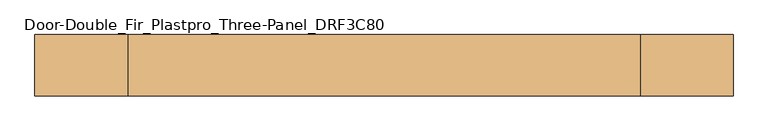
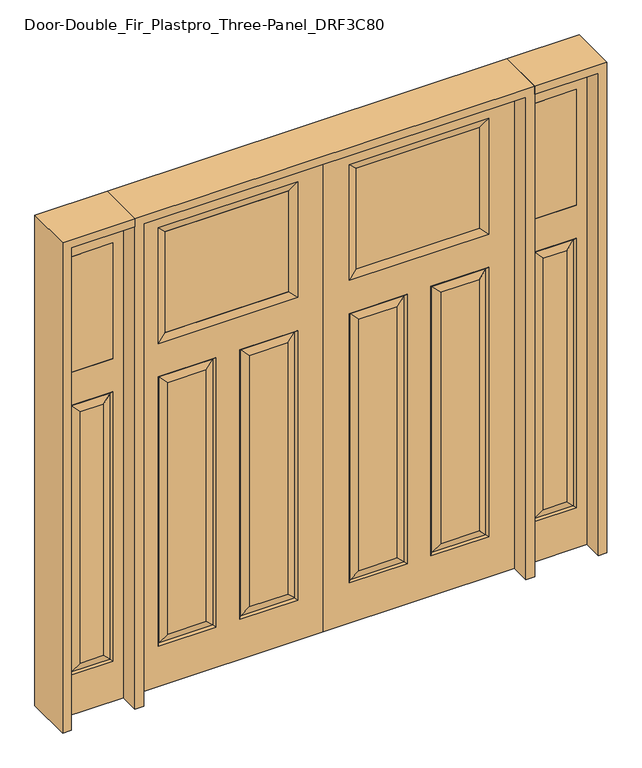
"""IFC4 building model written with IfcOpenShell, lengths in millimetres: door geometry, Door-Double_Fir_Plastpro_Three-Panel_DRF3C80."""

from ifc_helpers import new_model, si_unit, frame, origin, place, context, project, spatial, polyline, outline, extrude, faceted_brep, source, transform, mapped, element, save


def door_double_fir_plastpro_three_panel_drf3c80_b613cd89(model_context):
    return source(origin(), model_context, "Body", "SolidModel", [
        faceted_brep([(914.4, -20.6375, 2438.4), (914.4, -20.6375, 0.0), (914.4, 20.6375, 0.0), (914.4, 20.6375, 2438.4), (0.0, 20.6375, 0.0), (0.0, 20.6375, 2438.4), (123.698, 20.6375, 203.073), (400.2762187, 20.6375, 203.073), (400.2762187, 20.6375, 1565.3027812), (123.698, 20.6375, 1565.3027812), (790.7734375, 20.6375, 1733.3515625), (790.7734375, 20.6375, 2317.9484375), (123.6265625, 20.6375, 2317.9484375), (123.6265625, 20.6375, 1733.3515625), (790.702, 20.6375, 1565.3027812), (514.1237813, 20.6375, 1565.3027812), (514.1237813, 20.6375, 203.073), (790.702, 20.6375, 203.073), (744.6645, 20.6375, 249.1105), (560.1612813, 20.6375, 249.1105), (560.1612813, 20.6375, 1519.2652812), (744.6645, 20.6375, 1519.2652812), (169.7355, 20.6375, 1519.2652812), (354.2387187, 20.6375, 1519.2652812), (354.2387187, 20.6375, 249.1105), (169.7355, 20.6375, 249.1105), (781.7217439, 11.6572439, 1556.3225251), (781.7217439, 11.6572439, 212.0532561), (523.1040374, 11.6572439, 212.0532561), (391.2959626, -11.6572439, 212.0532561), (391.2959626, -11.6572439, 1556.3225251), (354.2387187, -20.6375, 1519.2652812), (354.2387188, -20.6375, 249.1105), (560.1612812, -20.6375, 249.1105), (560.1612812, -20.6375, 1519.2652812), (523.1040374, -11.6572439, 1556.3225251), (523.1040374, -11.6572439, 212.0532561), (781.7217439, -11.6572439, 212.0532561), (514.1237813, -20.6375, 203.073), (790.702, -20.6375, 203.073), (790.7734375, -20.6375, 1733.3515625), (790.7734375, -20.6375, 2317.9484375), (753.7161936, -11.6572439, 2280.8911936), (753.7161936, -11.6572439, 1770.3601562), (160.6838064, -11.6572439, 1770.3601562), (160.6838064, -11.6572439, 2280.9398438), (123.6265625, -20.6375, 2317.9484375), (123.6265625, -20.6375, 1733.3515625), (132.6782561, -11.6572439, 1556.3225251), (400.2762187, -20.6375, 1565.3027812), (123.698, -20.6375, 1565.3027812), (160.6838064, 11.6690335, 2280.9398438), (753.7161936, 11.6690335, 2280.9398438), (0.0, -20.6375, 0.0), (0.0, -20.6375, 2438.4), (514.1237813, -20.6375, 1565.3027812), (790.702, -20.6375, 1565.3027812), (400.2762187, -20.6375, 203.073), (123.698, -20.6375, 203.073), (169.7355, -20.6375, 249.1105), (169.7355, -20.6375, 1519.2652813), (744.6645, -20.6375, 1519.2652813), (744.6645, -20.6375, 249.1105), (132.6782561, 11.6572439, 212.0532561), (391.2959626, 11.6572439, 212.0532561), (132.6782561, -11.6572439, 212.0532561), (781.7217439, -11.6572439, 1556.3225251), (160.6838064, 11.6572439, 1770.3601562), (132.6782561, 11.6572439, 1556.3225251), (391.2959626, 11.6572439, 1556.3225251), (523.1040374, 11.6572439, 1556.3225251), (753.7161936, 11.6572439, 1770.3601562)], [[[0, 1, 2, 3]], [[3, 2, 4, 5], [6, 7, 8, 9], [10, 11, 12, 13], [14, 15, 16, 17]], [[18, 19, 20, 21]], [[22, 23, 24, 25]], [[26, 14, 17, 27]], [[27, 18, 21, 26]], [[27, 28, 19, 18]], [[29, 30, 31, 32]], [[33, 34, 35, 36]], [[37, 36, 38, 39]], [[40, 41, 42, 43]], [[44, 45, 46, 47]], [[48, 30, 49, 50]], [[51, 52, 42, 45]], [[47, 40, 43, 44]], [[4, 2, 1, 53]], [[5, 4, 53, 54]], [[54, 53, 1, 0], [39, 38, 55, 56], [47, 46, 41, 40], [50, 49, 57, 58]], [[59, 32, 31, 60]], [[61, 34, 33, 62]], [[5, 54, 0, 3]], [[63, 64, 7, 6]], [[65, 29, 32, 59]], [[57, 49, 30, 29]], [[37, 39, 56, 66]], [[13, 12, 51, 67]], [[6, 9, 68, 63]], [[64, 69, 8, 7]], [[68, 22, 25, 63]], [[25, 24, 64, 63]], [[24, 23, 69, 64]], [[17, 16, 28, 27]], [[16, 15, 70, 28]], [[28, 70, 20, 19]], [[59, 60, 48, 65]], [[48, 50, 58, 65]], [[58, 57, 29, 65]], [[66, 61, 62, 37]], [[62, 33, 36, 37]], [[36, 35, 55, 38]], [[12, 11, 52, 51]], [[71, 52, 11, 10]], [[45, 42, 41, 46]], [[60, 31, 30, 48]], [[9, 8, 69, 68]], [[68, 69, 23, 22]], [[52, 71, 43, 42]], [[71, 67, 44, 43]], [[45, 44, 67, 51]], [[67, 71, 10, 13]], [[66, 35, 34, 61]], [[56, 55, 35, 66]], [[26, 70, 15, 14]], [[21, 20, 70, 26]]]),
        extrude(outline(polyline([(160.6838064, -11.6572439), (160.6838064, 11.6572439), (753.7161936, 11.6572439), (753.7161936, -11.6572439), (160.6838064, -11.6572439)])), frame((0.0, 0.0, 1770.3601562), z_axis=(0.0, 0.0, 1.0), x_axis=(1.0, 0.0, 0.0)), (0.0, 0.0, 1.0), 510.5796875),
        faceted_brep([(955.675, 20.6375, 0.0), (1260.475, 20.6375, 0.0), (1260.475, -20.6375, 0.0), (955.675, -20.6375, 0.0), (955.675, 20.6375, 2438.4), (955.675, -20.6375, 2438.4), (1260.475, -20.6375, 2438.4), (1209.802, -20.6375, 203.073), (1006.348, -20.6375, 203.073), (1006.348, -20.6375, 1565.3027812), (1209.802, -20.6375, 1565.3027812), (1209.675, -20.6375, 2317.75), (1209.675, -20.6375, 1733.55), (1006.475, -20.6375, 1733.55), (1006.475, -20.6375, 2317.75), (1163.7645, -20.6375, 1519.2652813), (1052.3855, -20.6375, 1519.2652813), (1052.3855, -20.6375, 249.1105), (1163.7645, -20.6375, 249.1105), (1260.475, 20.6375, 2438.4), (1209.802, 20.6375, 1565.3027812), (1006.348, 20.6375, 1565.3027812), (1006.348, 20.6375, 203.073), (1209.802, 20.6375, 203.073), (1006.475, 20.6375, 2317.75), (1006.475, 20.6375, 1733.55), (1209.675, 20.6375, 1733.55), (1209.675, 20.6375, 2317.75), (1163.7645, 20.6375, 249.1105), (1052.3855, 20.6375, 249.1105), (1052.3855, 20.6375, 1519.2652812), (1163.7645, 20.6375, 1519.2652812), (1200.8217439, 11.6572439, 1556.3225251), (1200.8217439, 11.6572439, 212.0532561), (1015.3282561, 11.6572439, 212.0532561), (1015.3282561, 11.6572439, 1556.3225251), (1200.8217439, -11.6572439, 1556.3225251), (1200.8217439, -11.6572439, 212.0532561), (1015.3282561, -11.6572439, 212.0532561), (1015.3282561, -11.6572439, 1556.3225251)], [[[0, 1, 2, 3]], [[4, 0, 3, 5]], [[5, 3, 2, 6], [7, 8, 9, 10], [11, 12, 13, 14]], [[15, 16, 17, 18]], [[6, 2, 1, 19]], [[19, 1, 0, 4], [20, 21, 22, 23], [24, 25, 26, 27]], [[28, 29, 30, 31]], [[32, 20, 23, 33]], [[23, 22, 34, 33]], [[22, 21, 35, 34]], [[33, 28, 31, 32]], [[34, 35, 30, 29]], [[33, 34, 29, 28]], [[36, 15, 18, 37]], [[18, 17, 38, 37]], [[17, 16, 39, 38]], [[37, 7, 10, 36]], [[38, 39, 9, 8]], [[37, 38, 8, 7]], [[4, 5, 6, 19]], [[36, 39, 16, 15]], [[10, 9, 39, 36]], [[32, 35, 21, 20]], [[31, 30, 35, 32]], [[11, 14, 24, 27]], [[27, 26, 12, 11]], [[26, 25, 13, 12]], [[14, 13, 25, 24]]]),
        extrude(outline(polyline([(1006.475, -20.6375), (1006.475, 20.6375), (1209.675, 20.6375), (1209.675, -20.6375), (1006.475, -20.6375)])), frame((0.0, 0.0, 1733.55), z_axis=(0.0, 0.0, 1.0), x_axis=(1.0, 0.0, 0.0)), (0.0, 0.0, 1.0), 584.2),
        faceted_brep([(-955.675, 20.6375, 0.0), (-955.675, -20.6375, 0.0), (-1260.475, -20.6375, 0.0), (-1260.475, 20.6375, 0.0), (-955.675, 20.6375, 2438.4), (-955.675, -20.6375, 2438.4), (-1163.7645, -20.6375, 1519.2652812), (-1163.7645, -20.6375, 249.1105), (-1052.3855, -20.6375, 249.1105), (-1052.3855, -20.6375, 1519.2652812), (-1260.475, -20.6375, 2438.4), (-1209.802, -20.6375, 203.073), (-1209.802, -20.6375, 1565.3027812), (-1006.348, -20.6375, 1565.3027812), (-1006.348, -20.6375, 203.073), (-1209.675, -20.6375, 2317.75), (-1006.475, -20.6375, 2317.75), (-1006.475, -20.6375, 1733.55), (-1209.675, -20.6375, 1733.55), (-1260.475, 20.6375, 2438.4), (-1163.7645, 20.6375, 249.1105), (-1163.7645, 20.6375, 1519.2652812), (-1052.3855, 20.6375, 1519.2652812), (-1052.3855, 20.6375, 249.1105), (-1209.802, 20.6375, 1565.3027812), (-1209.802, 20.6375, 203.073), (-1006.348, 20.6375, 203.073), (-1006.348, 20.6375, 1565.3027812), (-1006.475, 20.6375, 2317.75), (-1209.675, 20.6375, 2317.75), (-1209.675, 20.6375, 1733.55), (-1006.475, 20.6375, 1733.55), (-1200.8217439, 11.6572439, 1556.3225251), (-1200.8217439, 11.6572439, 212.0532561), (-1015.3282561, 11.6572439, 212.0532561), (-1015.3282561, 11.6572439, 1556.3225251), (-1200.8217439, -11.6572439, 1556.3225251), (-1200.8217439, -11.6572439, 212.0532561), (-1015.3282561, -11.6572439, 212.0532561), (-1015.3282561, -11.6572439, 1556.3225251)], [[[0, 1, 2, 3]], [[4, 5, 1, 0]], [[6, 7, 8, 9]], [[5, 10, 2, 1], [11, 12, 13, 14], [15, 16, 17, 18]], [[10, 19, 3, 2]], [[20, 21, 22, 23]], [[19, 4, 0, 3], [24, 25, 26, 27], [28, 29, 30, 31]], [[32, 33, 25, 24]], [[25, 33, 34, 26]], [[26, 34, 35, 27]], [[33, 32, 21, 20]], [[34, 23, 22, 35]], [[33, 20, 23, 34]], [[36, 37, 7, 6]], [[7, 37, 38, 8]], [[8, 38, 39, 9]], [[37, 36, 12, 11]], [[38, 14, 13, 39]], [[37, 11, 14, 38]], [[4, 19, 10, 5]], [[36, 6, 9, 39]], [[12, 36, 39, 13]], [[32, 24, 27, 35]], [[21, 32, 35, 22]], [[15, 29, 28, 16]], [[29, 15, 18, 30]], [[30, 18, 17, 31]], [[16, 28, 31, 17]]]),
        extrude(outline(polyline([(-1006.475, -20.6375), (-1209.675, -20.6375), (-1209.675, 20.6375), (-1006.475, 20.6375), (-1006.475, -20.6375)])), frame((0.0, 0.0, 1733.55), z_axis=(0.0, 0.0, 1.0), x_axis=(1.0, 0.0, 0.0)), (0.0, 0.0, 1.0), 584.2),
        faceted_brep([(-914.4, -20.6375, 2438.4), (-914.4, 20.6375, 2438.4), (-914.4, 20.6375, 0.0), (-914.4, -20.6375, 0.0), (-169.7355, 20.6375, 1519.2652812), (-169.7355, 20.6375, 249.1105), (-354.2387187, 20.6375, 249.1105), (-354.2387187, 20.6375, 1519.2652812), (-744.6645, 20.6375, 249.1105), (-744.6645, 20.6375, 1519.2652812), (-560.1612813, 20.6375, 1519.2652812), (-560.1612813, 20.6375, 249.1105), (0.0, 20.6375, 2438.4), (0.0, 20.6375, 0.0), (-123.698, 20.6375, 203.073), (-123.698, 20.6375, 1565.3027812), (-400.2762187, 20.6375, 1565.3027812), (-400.2762187, 20.6375, 203.073), (-790.7734375, 20.6375, 1733.3515625), (-123.6265625, 20.6375, 1733.3515625), (-123.6265625, 20.6375, 2317.9484375), (-790.7734375, 20.6375, 2317.9484375), (-790.702, 20.6375, 1565.3027812), (-790.702, 20.6375, 203.073), (-514.1237813, 20.6375, 203.073), (-514.1237813, 20.6375, 1565.3027812), (-781.7217439, 11.6572439, 1556.3225251), (-781.7217439, 11.6572439, 212.0532561), (-523.1040374, 11.6572439, 212.0532561), (-391.2959626, -11.6572439, 212.0532561), (-354.2387187, -20.6375, 249.1105), (-354.2387188, -20.6375, 1519.2652812), (-391.2959626, -11.6572439, 1556.3225251), (-560.1612813, -20.6375, 249.1105), (-523.1040374, -11.6572439, 212.0532561), (-523.1040374, -11.6572439, 1556.3225251), (-560.1612813, -20.6375, 1519.2652812), (-781.7217439, -11.6572439, 212.0532561), (-790.702, -20.6375, 203.073), (-514.1237813, -20.6375, 203.073), (-790.7734375, -20.6375, 1733.3515625), (-753.7161936, -11.6572439, 1770.4088064), (-753.7161936, -11.6572439, 2280.9398438), (-790.7734375, -20.6375, 2317.9484375), (-160.6838064, -11.6572439, 1770.4088064), (-123.6265625, -20.6375, 1733.3515625), (-123.6265625, -20.6375, 2317.9484375), (-160.6838064, -11.6572439, 2280.8911936), (-132.6782561, -11.6572439, 1556.3225251), (-123.698, -20.6375, 1565.3027812), (-400.2762187, -20.6375, 1565.3027812), (-160.6838064, 11.6572439, 2280.9398438), (-753.7161936, 11.6690335, 2280.9398438), (0.0, -20.6375, 0.0), (0.0, -20.6375, 2438.4), (-169.7355, -20.6375, 249.1105), (-169.7355, -20.6375, 1519.2652812), (-744.6645, -20.6375, 1519.2652812), (-744.6645, -20.6375, 249.1105), (-790.702, -20.6375, 1565.3027812), (-514.1237813, -20.6375, 1565.3027812), (-123.698, -20.6375, 203.073), (-400.2762187, -20.6375, 203.073), (-132.6782561, 11.6572439, 212.0532561), (-391.2959626, 11.6572439, 212.0532561), (-132.6782561, -11.6572439, 212.0532561), (-781.7217439, -11.6572439, 1556.3225251), (-160.6838064, 11.6572439, 1770.4088064), (-132.6782561, 11.6572439, 1556.3225251), (-391.2959626, 11.6572439, 1556.3225251), (-523.1040374, 11.6572439, 1556.3225251), (-753.7161936, 11.6572439, 1770.4088064)], [[[0, 1, 2, 3]], [[4, 5, 6, 7]], [[8, 9, 10, 11]], [[1, 12, 13, 2], [14, 15, 16, 17], [18, 19, 20, 21], [22, 23, 24, 25]], [[26, 27, 23, 22]], [[27, 26, 9, 8]], [[27, 8, 11, 28]], [[29, 30, 31, 32]], [[33, 34, 35, 36]], [[37, 38, 39, 34]], [[40, 41, 42, 43]], [[44, 45, 46, 47]], [[48, 49, 50, 32]], [[51, 47, 42, 52]], [[45, 44, 41, 40]], [[13, 53, 3, 2]], [[12, 54, 53, 13]], [[55, 56, 31, 30]], [[57, 58, 33, 36]], [[54, 0, 3, 53], [38, 59, 60, 39], [45, 40, 43, 46], [49, 61, 62, 50]], [[12, 1, 0, 54]], [[63, 14, 17, 64]], [[65, 55, 30, 29]], [[62, 29, 32, 50]], [[37, 66, 59, 38]], [[19, 67, 51, 20]], [[14, 63, 68, 15]], [[64, 17, 16, 69]], [[68, 63, 5, 4]], [[5, 63, 64, 6]], [[6, 64, 69, 7]], [[23, 27, 28, 24]], [[24, 28, 70, 25]], [[28, 11, 10, 70]], [[55, 65, 48, 56]], [[48, 65, 61, 49]], [[61, 65, 29, 62]], [[66, 37, 58, 57]], [[58, 37, 34, 33]], [[34, 39, 60, 35]], [[20, 51, 52, 21]], [[71, 18, 21, 52]], [[47, 46, 43, 42]], [[56, 48, 32, 31]], [[15, 68, 69, 16]], [[68, 4, 7, 69]], [[52, 42, 41, 71]], [[71, 41, 44, 67]], [[47, 51, 67, 44]], [[67, 19, 18, 71]], [[66, 57, 36, 35]], [[59, 66, 35, 60]], [[26, 22, 25, 70]], [[9, 26, 70, 10]]]),
        extrude(outline(polyline([(-160.6838064, -11.6572439), (-753.7161936, -11.6572439), (-753.7161936, 11.6572439), (-160.6838064, 11.6572439), (-160.6838064, -11.6572439)])), frame((0.0, 0.0, 1770.3601562), z_axis=(0.0, 0.0, 1.0), x_axis=(1.0, 0.0, 0.0)), (0.0, 0.0, 1.0), 510.5796875),
        extrude(outline(polyline([(2438.4, -955.675), (2479.675, -955.675), (2479.675, -1301.75), (0.0, -1301.75), (0.0, -1260.475), (2438.4, -1260.475), (2438.4, -955.675)])), frame((0.0, -114.3, 0.0), z_axis=(0.0, 1.0, 0.0), x_axis=(0.0, 0.0, 1.0)), (0.0, 0.0, 1.0), 228.6),
        extrude(outline(polyline([(2479.675, -955.675), (0.0, -955.675), (0.0, -914.4), (2438.4, -914.4), (2438.4, 914.4), (0.0, 914.4), (0.0, 955.675), (2479.675, 955.675), (2479.675, -955.675)])), frame((0.0, -114.3, 0.0), z_axis=(0.0, 1.0, 0.0), x_axis=(0.0, 0.0, 1.0)), (0.0, 0.0, 1.0), 228.6),
        extrude(outline(polyline([(0.0, 1260.475), (0.0, 1301.75), (2479.675, 1301.75), (2479.675, 955.675), (2438.4, 955.675), (2438.4, 1260.475), (0.0, 1260.475)])), frame((0.0, -114.3, 0.0), z_axis=(0.0, 1.0, 0.0), x_axis=(0.0, 0.0, 1.0)), (0.0, 0.0, 1.0), 228.6),
    ])


if __name__ == "__main__":
    model = new_model("IFC4")
    model_context = context("Model", 3, world=origin())
    ifc_project = project(units=[si_unit("LENGTHUNIT", "METRE", prefix="MILLI")], contexts=[model_context])
    site = spatial("IfcSite", under=ifc_project)
    building = spatial("IfcBuilding", under=site)
    placement = place(None, origin())
    door_double_fir_plastpro_three_panel_drf3c80_shape = door_double_fir_plastpro_three_panel_drf3c80_b613cd89(model_context)
    element("IfcDoor", 1, ObjectType="Door-Double_Fir_Plastpro_Three-Panel_DRF3C80", at=placement, inside=building, context=model_context, shape_type="MappedRepresentation", body=[
        mapped(door_double_fir_plastpro_three_panel_drf3c80_shape, transform((0.0, 0.0, 0.0), x_axis=(1.0, 0.0, 0.0), y_axis=(0.0, 1.0, 0.0), z_axis=(0.0, 0.0, 1.0))),
    ])
    save(model, "model.ifc")
